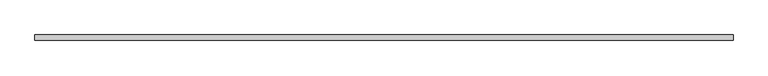
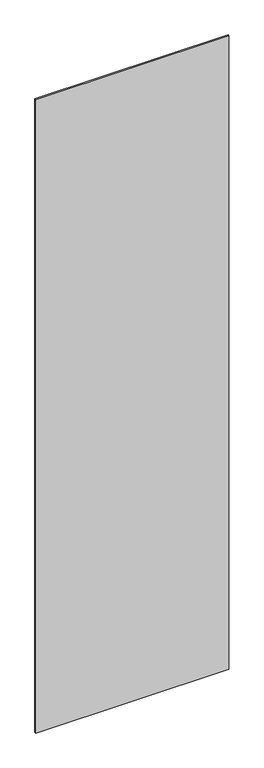
"""IFC4 building model written with IfcOpenShell, lengths in millimetres: plate geometry."""

from ifc_helpers import new_model, si_unit, origin, origin_with_axes, place, context, project, spatial, polyline, outline, extrude, source, transform, mapped, element, save


def plate_402fed1d(model_context):
    return source(origin(), model_context, "Body", "SweptSolid", [
        extrude(outline(polyline([(628.6999103, -5.0), (-628.6999103, -5.0), (-628.6999103, 5.0), (628.6999103, 5.0), (628.6999103, -5.0)])), origin_with_axes(), (0.0, 0.0, 1.0), 4360.0),
    ])


if __name__ == "__main__":
    model = new_model("IFC4")
    model_context = context("Model", 3, world=origin())
    ifc_project = project(units=[si_unit("LENGTHUNIT", "METRE", prefix="MILLI")], contexts=[model_context])
    site = spatial("IfcSite", under=ifc_project)
    building = spatial("IfcBuilding", under=site)
    placement = place(None, origin())
    plate_shape = plate_402fed1d(model_context)
    element("IfcPlate", 1, at=placement, inside=building, context=model_context, shape_type="MappedRepresentation", body=[
        mapped(plate_shape, transform((0.0, 0.0, 0.0), x_axis=(1.0, 0.0, 0.0), y_axis=(0.0, 1.0, 0.0), z_axis=(0.0, 0.0, 1.0))),
    ])
    save(model, "model.ifc")
